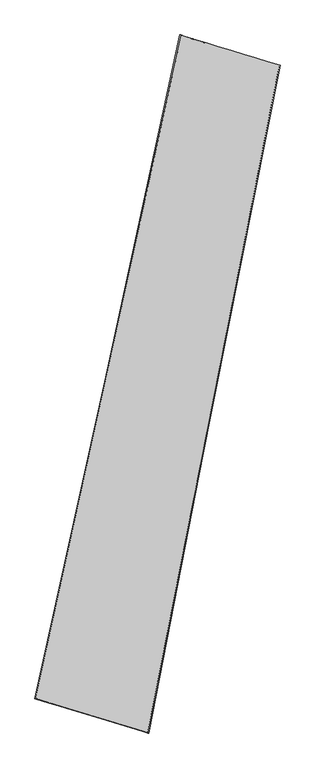
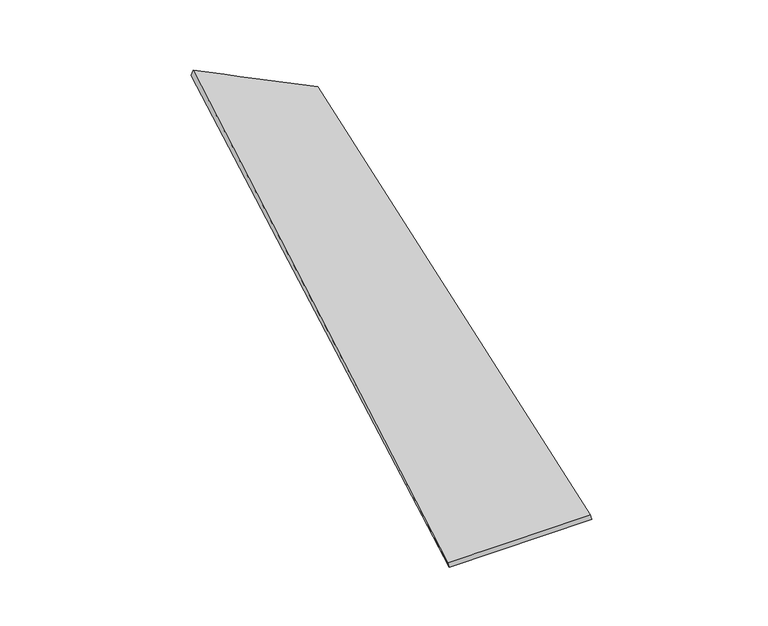
"""IFC4 building model written with IfcOpenShell, lengths in millimetres: proxy geometry."""

import ifcopenshell
import ifcopenshell.guid

model = None  # the IFC model being written
_history = None  # IfcOwnerHistory: only IFC2X3 demands one
_inside = {}  # id of a spatial element -> (the spatial element, [elements in it])
_under = {}  # id of a project, library or spatial element -> (it, [spatial elements below it])
_declared = {}  # id of a project -> (the project, [libraries it declares])
_typed = {}  # id of a type object -> (the type object, [elements of that type])
_made_of = {}  # id of a material, layer set ... -> (it, [elements and type objects made of it])


def new_model(schema):
    """Start an empty IFC model of exactly this schema.

    Asked for "IFC4X3", IfcOpenShell would pick the latest addendum, in which some entities
    have other attributes; the version numbers below select the first issue.
    IFC2X3 requires an IfcOwnerHistory on every rooted entity: one is made here for all.
    """
    global model, _history
    if schema == "IFC4X3":
        model = ifcopenshell.file(schema_version=(4, 3, 0, 0))
    else:
        model = ifcopenshell.file(schema=schema)
    _inside.clear()
    _under.clear()
    _declared.clear()
    _typed.clear()
    _made_of.clear()
    _history = None
    if model.schema == "IFC2X3":
        org = make("IfcOrganization", Name="unknown")
        user = make(
            "IfcPersonAndOrganization",
            ThePerson=make("IfcPerson", FamilyName="unknown"),
            TheOrganization=org,
        )
        app = make(
            "IfcApplication",
            ApplicationDeveloper=org,
            Version="unknown",
            ApplicationFullName="unknown",
            ApplicationIdentifier="unknown",
        )
        _history = make(
            "IfcOwnerHistory",
            OwningUser=user,
            OwningApplication=app,
            ChangeAction="ADDED",
            CreationDate=0,
        )
    return model


def make(cls, **values):
    """One entity of the class cls with the attributes given. An attribute that is None is left unset."""
    return model.create_entity(
        cls, **{name: value for name, value in values.items() if value is not None}
    )


def rooted(cls, **values):
    """An entity with a GlobalId (a new one), such as an element, a storey or a relation."""
    return make(cls, GlobalId=ifcopenshell.guid.new(), OwnerHistory=_history, **values)


def si_unit(unit_type, name, prefix=None):
    """IfcSIUnit, for example si_unit("LENGTHUNIT", "METRE", prefix="MILLI")."""
    return make("IfcSIUnit", UnitType=unit_type, Prefix=prefix, Name=name)


def assignment(units):
    """IfcUnitAssignment: the units of a project."""
    return None if units is None else make("IfcUnitAssignment", Units=units)


def point(xyz):
    """IfcCartesianPoint."""
    return None if xyz is None else make("IfcCartesianPoint", Coordinates=xyz)


def direction(xyz):
    """IfcDirection."""
    return None if xyz is None else make("IfcDirection", DirectionRatios=xyz)


def frame(location, z_axis=None, x_axis=None):
    """IfcAxis2Placement3D, a coordinate frame: its origin and axes. An axis left out is left unset."""
    return make(
        "IfcAxis2Placement3D",
        Location=point(location),
        Axis=direction(z_axis),
        RefDirection=direction(x_axis),
    )


def origin():
    """The frame at (0, 0, 0) with its axes left unset."""
    return frame((0.0, 0.0, 0.0))


def place(relative_to, where):
    """IfcLocalPlacement: puts the frame where relative to a parent placement (None: the world)."""
    return make(
        "IfcLocalPlacement", PlacementRelTo=relative_to, RelativePlacement=where
    )


def context(
    kind, dimensions, precision=None, world=None, true_north=None, identifier=None
):
    """IfcGeometricRepresentationContext, for example the 3D "Model" context."""
    return make(
        "IfcGeometricRepresentationContext",
        ContextIdentifier=identifier,
        ContextType=kind,
        CoordinateSpaceDimension=dimensions,
        Precision=precision,
        WorldCoordinateSystem=world,
        TrueNorth=true_north,
    )


def project(units=None, contexts=None):
    """IfcProject with its units and contexts."""
    return rooted(
        "IfcProject",
        Name="project",
        RepresentationContexts=contexts,
        UnitsInContext=assignment(units),
    )


def spatial(cls, under=None, at=None, **own):
    """A site, building, storey or space (cls), placed at a placement, below another one or the project."""
    s = rooted(cls, ObjectPlacement=at, **own)
    if under is not None:
        _under.setdefault(under.id(), (under, []))[1].append(s)
    return s


def shape(context_of_items, identifier, shape_type, items):
    """IfcShapeRepresentation: the items that make up one representation, for example the "Body"."""
    return make(
        "IfcShapeRepresentation",
        ContextOfItems=context_of_items,
        RepresentationIdentifier=identifier,
        RepresentationType=shape_type,
        Items=items,
    )


def source(mapping_origin, context_of_items, identifier, shape_type, items):
    """IfcRepresentationMap: a shape defined once, which mapped items show again and again."""
    return make(
        "IfcRepresentationMap",
        MappingOrigin=mapping_origin,
        MappedRepresentation=shape(context_of_items, identifier, shape_type, items),
    )


def transform(
    local_origin,
    x_axis=None,
    y_axis=None,
    z_axis=None,
    scale=None,
    scale2=None,
    scale3=None,
    uniform=True,
):
    """IfcCartesianTransformationOperator3D, or its non-uniform kind. x_axis, y_axis, z_axis: its Axis1, 2, 3."""
    if uniform:
        return make(
            "IfcCartesianTransformationOperator3D",
            Axis1=direction(x_axis),
            Axis2=direction(y_axis),
            LocalOrigin=point(local_origin),
            Scale=scale,
            Axis3=direction(z_axis),
        )
    return make(
        "IfcCartesianTransformationOperator3DnonUniform",
        Axis1=direction(x_axis),
        Axis2=direction(y_axis),
        LocalOrigin=point(local_origin),
        Scale=scale,
        Axis3=direction(z_axis),
        Scale2=scale2,
        Scale3=scale3,
    )


def mapped(mapping_source, mapping_target):
    """IfcMappedItem: shows the shape of a source again, moved by a transform."""
    return make(
        "IfcMappedItem", MappingSource=mapping_source, MappingTarget=mapping_target
    )


def made_of(thing, what):
    """Note that an element or type object is made of a material, layer set ...; save() writes the relation."""
    if what is not None:
        _made_of.setdefault(what.id(), (what, []))[1].append(thing)
    return thing


def element(
    cls,
    number,
    at=None,
    inside=None,
    cuts=None,
    type_object=None,
    material=None,
    context=None,
    identifier="Body",
    shape_type=None,
    held_by="IfcProductDefinitionShape",
    body=None,
    shapes=None,
    **own,
):
    """One element of the class cls, such as IfcWall. Its Tag is "e" and its number.

    at: its placement. inside: the storey or other place that contains it. cuts: it is an
    opening in that element (IfcRelVoidsElement). A single representation is given by context,
    identifier, shape_type and body (its items); several are given by shapes. held_by: the class
    of the entity that holds the representations. save() writes the other relations.
    """
    e = rooted(cls, Tag="e%d" % number, ObjectPlacement=at, **own)
    if body is not None:
        shapes = [shape(context, identifier, shape_type, body)]
    if shapes is not None:
        e.Representation = make(held_by, Representations=shapes)
    if inside is not None:
        _inside.setdefault(inside.id(), (inside, []))[1].append(e)
    if cuts is not None:
        rooted(
            "IfcRelVoidsElement", RelatingBuildingElement=cuts, RelatedOpeningElement=e
        )
    if type_object is not None:
        _typed.setdefault(type_object.id(), (type_object, []))[1].append(e)
    return made_of(e, material)


def aggregate(whole, parts):
    """IfcRelAggregates: a whole, such as a stair, and the parts it consists of."""
    return rooted("IfcRelAggregates", RelatingObject=whole, RelatedObjects=parts)


def save(model, path):
    """Write the relations noted so far, then the file.

    IfcRelAggregates (storeys below a building ...), IfcRelContainedInSpatialStructure (elements
    in a storey), IfcRelDefinesByType, IfcRelAssociatesMaterial and IfcRelDeclares: one each for
    every whole, place, type object, material and project.
    """
    for whole, parts in _under.values():
        aggregate(whole, parts)
    for where, things in _inside.values():
        rooted(
            "IfcRelContainedInSpatialStructure",
            RelatedElements=things,
            RelatingStructure=where,
        )
    for kind, things in _typed.values():
        rooted("IfcRelDefinesByType", RelatedObjects=things, RelatingType=kind)
    for what, things in _made_of.values():
        rooted("IfcRelAssociatesMaterial", RelatedObjects=things, RelatingMaterial=what)
    for by, libraries in _declared.values():
        rooted("IfcRelDeclares", RelatingContext=by, RelatedDefinitions=libraries)
    model.write(path)


def spline_surface(u_degree, v_degree, points, u_multiplicities, v_multiplicities, u_knots, v_knots, weights=None):
    """IfcBSplineSurfaceWithKnots; with weights, IfcRationalBSplineSurfaceWithKnots. points: one row for each step in u."""
    own = dict(
        UDegree=u_degree,
        VDegree=v_degree,
        ControlPointsList=[[point(p) for p in row] for row in points],
        SurfaceForm="UNSPECIFIED",
        UClosed=False,
        VClosed=False,
        SelfIntersect=False,
        UMultiplicities=u_multiplicities,
        VMultiplicities=v_multiplicities,
        UKnots=u_knots,
        VKnots=v_knots,
        KnotSpec="UNSPECIFIED",
    )
    if weights is None:
        return make("IfcBSplineSurfaceWithKnots", **own)
    return make("IfcRationalBSplineSurfaceWithKnots", WeightsData=weights, **own)


def advanced_brep(points, edges, surfaces, faces):
    """IfcAdvancedBrep: a solid bounded by faces that lie on surfaces and meet in shared edges.

    An edge is (start, end): straight between two places in points (the first is 0);
    or (start, end, curve); or (start, end, curve, False) where it runs against its curve.
    A face is (place in surfaces, loops), or (place, loops, False) where it looks against
    its surface's normal. A loop lists edges by number (the first is 1), with a minus sign
    where the edge is run from its end to its start. The first loop is the outer one.
    """
    corners = [point(p) for p in points]
    vertices = [make("IfcVertexPoint", VertexGeometry=c) for c in corners]
    made = []
    for start, end, *more in edges:
        made.append(
            make(
                "IfcEdgeCurve",
                EdgeStart=vertices[start],
                EdgeEnd=vertices[end],
                EdgeGeometry=more[0] if more else make("IfcPolyline", Points=[corners[start], corners[end]]),
                SameSense=more[1] if len(more) > 1 else True,
            )
        )
    hull = []
    for where, loops, *sense in faces:
        bounds = []
        for j, loop in enumerate(loops):
            ring = [make("IfcOrientedEdge", EdgeElement=made[abs(k) - 1], Orientation=k > 0) for k in loop]
            bounds.append(
                make(
                    "IfcFaceOuterBound" if j == 0 else "IfcFaceBound",
                    Bound=make("IfcEdgeLoop", EdgeList=ring),
                    Orientation=True,
                )
            )
        hull.append(make("IfcAdvancedFace", Bounds=bounds, FaceSurface=surfaces[where], SameSense=sense[0] if sense else True))
    return make("IfcAdvancedBrep", Outer=make("IfcClosedShell", CfsFaces=hull))


def generic_models_6146b923(model_context):
    return source(origin(), model_context, "Body", "AdvancedBrep", [
        advanced_brep(
        [(-661.8875287, -1676.7817395, -83.8701483), (-669.5871739, -1676.4406616, -54.8770607), (196.7505105, 2244.9605186, 124.0078876), (187.7206963, 2248.2146543, 95.5847798), (-2.8032125, -1876.6973435, 113.1992079), (779.4215263, 2067.4271526, -66.9047893), (3.3145556, -1879.2184087, 83.9380196), (770.8522769, 2067.7854939, -95.652651)],
        [
            (0, 1),
            (1, 2),
            (2, 3),
            (3, 0),
            (1, 4),
            (4, 5),
            (5, 2),
            (4, 6),
            (6, 7),
            (7, 5),
            (6, 0),
            (3, 7),
        ],
        [
            spline_surface(1, 1, [[(-661.8875287, -1676.7817395, -83.8701483), (187.7206963, 2248.2146543, 95.5847798)], [(-669.5871739, -1676.4406616, -54.8770607), (196.7505105, 2244.9605186, 124.0078876)]], [2, 2], [2, 2], [0.0, 1.0], [0.0, 1.0]),
            spline_surface(1, 1, [[(-669.5871739, -1676.4406616, -54.8770607), (196.7505105, 2244.9605186, 124.0078876)], [(-2.8032125, -1876.6973435, 113.1992079), (779.4215263, 2067.4271526, -66.9047893)]], [2, 2], [2, 2], [0.0, 1.0], [0.0, 1.0]),
            spline_surface(1, 1, [[(-2.8032125, -1876.6973435, 113.1992079), (779.4215263, 2067.4271526, -66.9047893)], [(3.3145556, -1879.2184087, 83.9380196), (770.8522769, 2067.7854939, -95.652651)]], [2, 2], [2, 2], [0.0, 1.0], [0.0, 1.0]),
            spline_surface(1, 1, [[(3.3145556, -1879.2184087, 83.9380196), (770.8522769, 2067.7854939, -95.652651)], [(-661.8875287, -1676.7817395, -83.8701483), (187.7206963, 2248.2146543, 95.5847798)]], [2, 2], [2, 2], [0.0, 1.0], [0.0, 1.0]),
            spline_surface(1, 1, [[(196.7505105, 2244.9605186, 124.0078876), (187.7206963, 2248.2146543, 95.5847798)], [(779.4215263, 2067.4271526, -66.9047893), (770.8522769, 2067.7854939, -95.652651)]], [2, 2], [2, 2], [0.0, 1.0], [0.0, 1.0]),
            spline_surface(1, 1, [[(3.3145556, -1879.2184087, 83.9380196), (-661.8875287, -1676.7817395, -83.8701483)], [(-2.8032125, -1876.6973435, 113.1992079), (-669.5871739, -1676.4406616, -54.8770607)]], [2, 2], [2, 2], [0.0, 1.0], [0.0, 1.0]),
        ],
        [
            (0, [[1, 2, 3, 4]]),
            (1, [[5, 6, 7, -2]]),
            (2, [[8, 9, 10, -6]]),
            (3, [[11, -4, 12, -9]]),
            (4, [[-3, -7, -10, -12]]),
            (5, [[-11, -8, -5, -1]]),
        ],
    ),
    ])


if __name__ == "__main__":
    model = new_model("IFC4")
    model_context = context("Model", 3, world=origin())
    ifc_project = project(units=[si_unit("LENGTHUNIT", "METRE", prefix="MILLI")], contexts=[model_context])
    site = spatial("IfcSite", under=ifc_project)
    building = spatial("IfcBuilding", under=site)
    placement = place(None, origin())
    generic_models_shape = generic_models_6146b923(model_context)
    element("IfcBuildingElementProxy", 1, Name="Generic Models", at=placement, inside=building, context=model_context, shape_type="MappedRepresentation", body=[
        mapped(generic_models_shape, transform((0.0, 0.0, 0.0), x_axis=(1.0, 0.0, 0.0), y_axis=(0.0, 1.0, 0.0), z_axis=(0.0, 0.0, 1.0))),
    ])
    save(model, "model.ifc")
